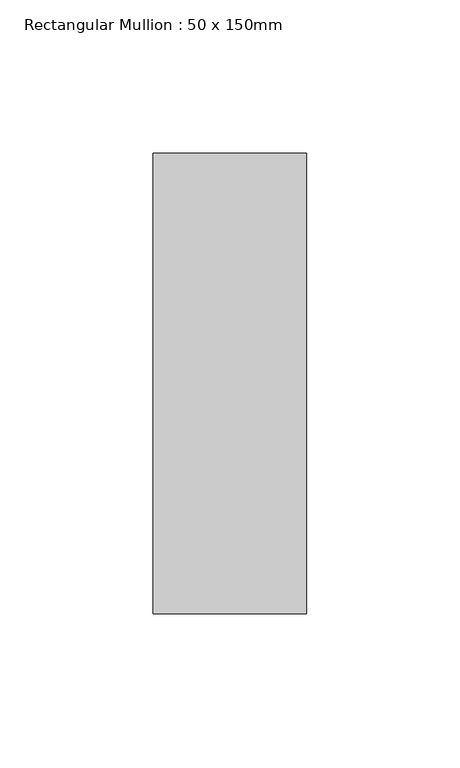
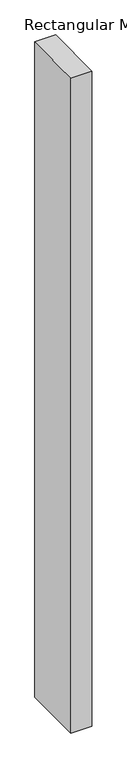
"""IFC4 building model written with IfcOpenShell, lengths in millimetres: member geometry, Rectangular Mullion : 50 x 150mm."""

from ifc_helpers import new_model, si_unit, frame, origin, place, context, project, spatial, polyline, outline, extrude, source, transform, mapped, element, save


def rectangular_mullion_50_x_150mm_ac6053c1(model_context):
    return source(origin(), model_context, "Body", "SweptSolid", [
        extrude(outline(polyline([(-75.0, -1.0811309), (75.0, 1.0811309), (75.0, -1668.2911245), (-75.0, -1668.2911245), (-75.0, -1.0811309)])), frame((-50.0, 0.0, 0.0), z_axis=(1.0, 0.0, 0.0), x_axis=(0.0, 1.0, 0.0)), (0.0, 0.0, 1.0), 50.0),
    ])


if __name__ == "__main__":
    model = new_model("IFC4")
    model_context = context("Model", 3, world=origin())
    ifc_project = project(units=[si_unit("LENGTHUNIT", "METRE", prefix="MILLI")], contexts=[model_context])
    site = spatial("IfcSite", under=ifc_project)
    building = spatial("IfcBuilding", under=site)
    placement = place(None, origin())
    rectangular_mullion_50_x_150mm_shape = rectangular_mullion_50_x_150mm_ac6053c1(model_context)
    element("IfcMember", 1, ObjectType="Rectangular Mullion : 50 x 150mm", at=placement, inside=building, context=model_context, shape_type="MappedRepresentation", body=[
        mapped(rectangular_mullion_50_x_150mm_shape, transform((0.0, 0.0, 0.0), x_axis=(1.0, 0.0, 0.0), y_axis=(0.0, 1.0, 0.0), z_axis=(0.0, 0.0, 1.0))),
    ])
    save(model, "model.ifc")
